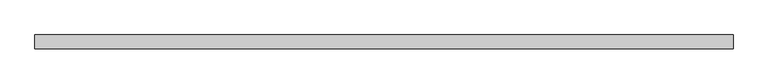
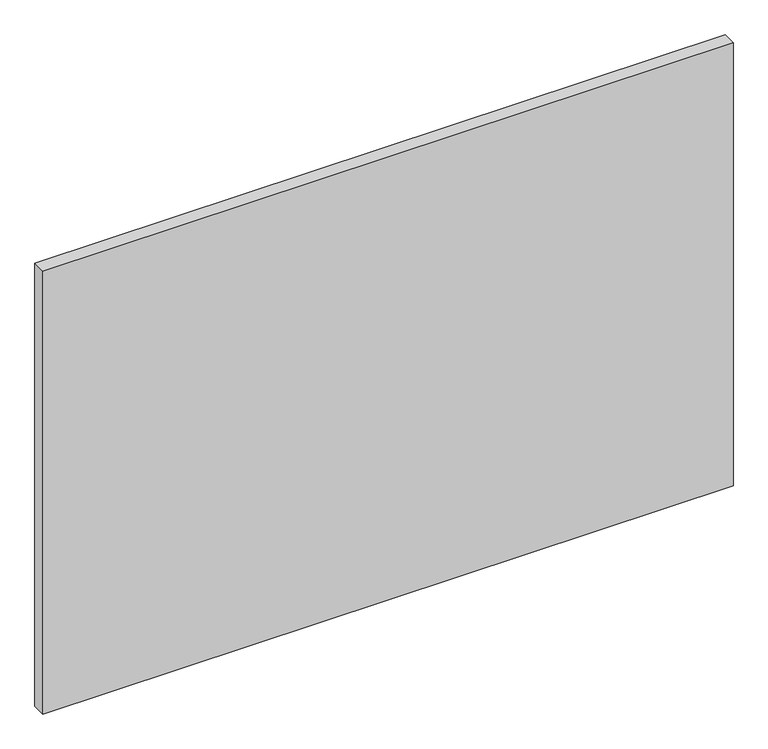
"""IFC4 building model written with IfcOpenShell, lengths in millimetres: plate geometry."""

from ifc_helpers import new_model, si_unit, origin, origin_with_axes, place, context, project, spatial, polyline, outline, extrude, source, transform, mapped, element, save


def plate_ddc83aff(model_context):
    return source(origin(), model_context, "Body", "SweptSolid", [
        extrude(outline(polyline([(877.8125, -17.5), (-877.8125, -17.5), (-877.8125, 17.5), (877.8125, 17.5), (877.8125, -17.5)])), origin_with_axes(), (0.0, 0.0, 1.0), 1190.4791667),
    ])


if __name__ == "__main__":
    model = new_model("IFC4")
    model_context = context("Model", 3, world=origin())
    ifc_project = project(units=[si_unit("LENGTHUNIT", "METRE", prefix="MILLI")], contexts=[model_context])
    site = spatial("IfcSite", under=ifc_project)
    building = spatial("IfcBuilding", under=site)
    placement = place(None, origin())
    plate_shape = plate_ddc83aff(model_context)
    element("IfcPlate", 1, at=placement, inside=building, context=model_context, shape_type="MappedRepresentation", body=[
        mapped(plate_shape, transform((0.0, 0.0, 0.0), x_axis=(1.0, 0.0, 0.0), y_axis=(0.0, 1.0, 0.0), z_axis=(0.0, 0.0, 1.0))),
    ])
    save(model, "model.ifc")
